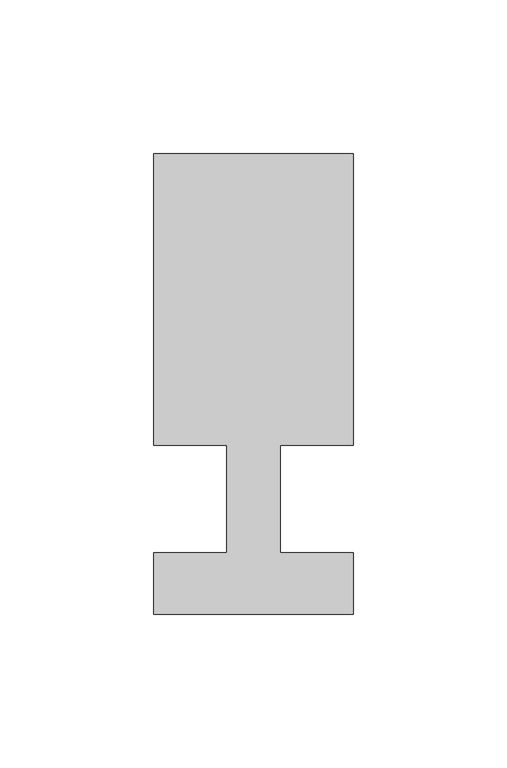
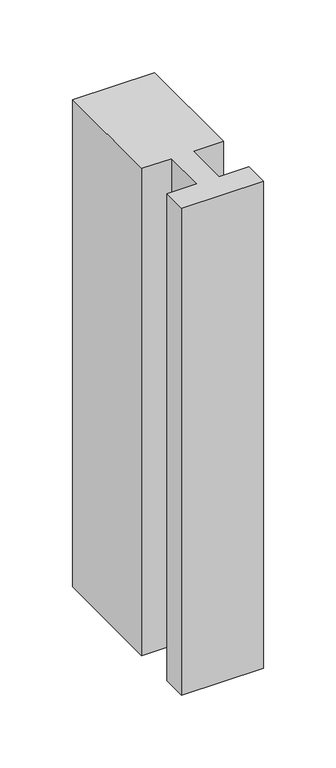
"""IFC4 building model written with IfcOpenShell, lengths in millimetres: member geometry."""

import ifcopenshell
import ifcopenshell.guid

model = None  # the IFC model being written
_history = None  # IfcOwnerHistory: only IFC2X3 demands one
_inside = {}  # id of a spatial element -> (the spatial element, [elements in it])
_under = {}  # id of a project, library or spatial element -> (it, [spatial elements below it])
_declared = {}  # id of a project -> (the project, [libraries it declares])
_typed = {}  # id of a type object -> (the type object, [elements of that type])
_made_of = {}  # id of a material, layer set ... -> (it, [elements and type objects made of it])


def new_model(schema):
    """Start an empty IFC model of exactly this schema.

    Asked for "IFC4X3", IfcOpenShell would pick the latest addendum, in which some entities
    have other attributes; the version numbers below select the first issue.
    IFC2X3 requires an IfcOwnerHistory on every rooted entity: one is made here for all.
    """
    global model, _history
    if schema == "IFC4X3":
        model = ifcopenshell.file(schema_version=(4, 3, 0, 0))
    else:
        model = ifcopenshell.file(schema=schema)
    _inside.clear()
    _under.clear()
    _declared.clear()
    _typed.clear()
    _made_of.clear()
    _history = None
    if model.schema == "IFC2X3":
        org = make("IfcOrganization", Name="unknown")
        user = make(
            "IfcPersonAndOrganization",
            ThePerson=make("IfcPerson", FamilyName="unknown"),
            TheOrganization=org,
        )
        app = make(
            "IfcApplication",
            ApplicationDeveloper=org,
            Version="unknown",
            ApplicationFullName="unknown",
            ApplicationIdentifier="unknown",
        )
        _history = make(
            "IfcOwnerHistory",
            OwningUser=user,
            OwningApplication=app,
            ChangeAction="ADDED",
            CreationDate=0,
        )
    return model


def make(cls, **values):
    """One entity of the class cls with the attributes given. An attribute that is None is left unset."""
    return model.create_entity(
        cls, **{name: value for name, value in values.items() if value is not None}
    )


def rooted(cls, **values):
    """An entity with a GlobalId (a new one), such as an element, a storey or a relation."""
    return make(cls, GlobalId=ifcopenshell.guid.new(), OwnerHistory=_history, **values)


def si_unit(unit_type, name, prefix=None):
    """IfcSIUnit, for example si_unit("LENGTHUNIT", "METRE", prefix="MILLI")."""
    return make("IfcSIUnit", UnitType=unit_type, Prefix=prefix, Name=name)


def assignment(units):
    """IfcUnitAssignment: the units of a project."""
    return None if units is None else make("IfcUnitAssignment", Units=units)


def point(xyz):
    """IfcCartesianPoint."""
    return None if xyz is None else make("IfcCartesianPoint", Coordinates=xyz)


def direction(xyz):
    """IfcDirection."""
    return None if xyz is None else make("IfcDirection", DirectionRatios=xyz)


def frame(location, z_axis=None, x_axis=None):
    """IfcAxis2Placement3D, a coordinate frame: its origin and axes. An axis left out is left unset."""
    return make(
        "IfcAxis2Placement3D",
        Location=point(location),
        Axis=direction(z_axis),
        RefDirection=direction(x_axis),
    )


def origin():
    """The frame at (0, 0, 0) with its axes left unset."""
    return frame((0.0, 0.0, 0.0))


def place(relative_to, where):
    """IfcLocalPlacement: puts the frame where relative to a parent placement (None: the world)."""
    return make(
        "IfcLocalPlacement", PlacementRelTo=relative_to, RelativePlacement=where
    )


def context(
    kind, dimensions, precision=None, world=None, true_north=None, identifier=None
):
    """IfcGeometricRepresentationContext, for example the 3D "Model" context."""
    return make(
        "IfcGeometricRepresentationContext",
        ContextIdentifier=identifier,
        ContextType=kind,
        CoordinateSpaceDimension=dimensions,
        Precision=precision,
        WorldCoordinateSystem=world,
        TrueNorth=true_north,
    )


def project(units=None, contexts=None):
    """IfcProject with its units and contexts."""
    return rooted(
        "IfcProject",
        Name="project",
        RepresentationContexts=contexts,
        UnitsInContext=assignment(units),
    )


def spatial(cls, under=None, at=None, **own):
    """A site, building, storey or space (cls), placed at a placement, below another one or the project."""
    s = rooted(cls, ObjectPlacement=at, **own)
    if under is not None:
        _under.setdefault(under.id(), (under, []))[1].append(s)
    return s


def polyline(points):
    """IfcPolyline through the points."""
    return make("IfcPolyline", Points=[point(p) for p in points])


def outline(outer, holes=None, kind="AREA"):
    """IfcArbitraryClosedProfileDef: a profile drawn as a closed curve; with holes, ...WithVoids."""
    if holes is None:
        return make("IfcArbitraryClosedProfileDef", ProfileType=kind, OuterCurve=outer)
    return make(
        "IfcArbitraryProfileDefWithVoids",
        ProfileType=kind,
        OuterCurve=outer,
        InnerCurves=holes,
    )


def extrude(swept, where, along, depth):
    """IfcExtrudedAreaSolid: the profile swept, set in the frame where, extruded along a direction by depth."""
    return make(
        "IfcExtrudedAreaSolid",
        SweptArea=swept,
        Position=where,
        ExtrudedDirection=direction(along),
        Depth=depth,
    )


def shape(context_of_items, identifier, shape_type, items):
    """IfcShapeRepresentation: the items that make up one representation, for example the "Body"."""
    return make(
        "IfcShapeRepresentation",
        ContextOfItems=context_of_items,
        RepresentationIdentifier=identifier,
        RepresentationType=shape_type,
        Items=items,
    )


def source(mapping_origin, context_of_items, identifier, shape_type, items):
    """IfcRepresentationMap: a shape defined once, which mapped items show again and again."""
    return make(
        "IfcRepresentationMap",
        MappingOrigin=mapping_origin,
        MappedRepresentation=shape(context_of_items, identifier, shape_type, items),
    )


def transform(
    local_origin,
    x_axis=None,
    y_axis=None,
    z_axis=None,
    scale=None,
    scale2=None,
    scale3=None,
    uniform=True,
):
    """IfcCartesianTransformationOperator3D, or its non-uniform kind. x_axis, y_axis, z_axis: its Axis1, 2, 3."""
    if uniform:
        return make(
            "IfcCartesianTransformationOperator3D",
            Axis1=direction(x_axis),
            Axis2=direction(y_axis),
            LocalOrigin=point(local_origin),
            Scale=scale,
            Axis3=direction(z_axis),
        )
    return make(
        "IfcCartesianTransformationOperator3DnonUniform",
        Axis1=direction(x_axis),
        Axis2=direction(y_axis),
        LocalOrigin=point(local_origin),
        Scale=scale,
        Axis3=direction(z_axis),
        Scale2=scale2,
        Scale3=scale3,
    )


def mapped(mapping_source, mapping_target):
    """IfcMappedItem: shows the shape of a source again, moved by a transform."""
    return make(
        "IfcMappedItem", MappingSource=mapping_source, MappingTarget=mapping_target
    )


def made_of(thing, what):
    """Note that an element or type object is made of a material, layer set ...; save() writes the relation."""
    if what is not None:
        _made_of.setdefault(what.id(), (what, []))[1].append(thing)
    return thing


def element(
    cls,
    number,
    at=None,
    inside=None,
    cuts=None,
    type_object=None,
    material=None,
    context=None,
    identifier="Body",
    shape_type=None,
    held_by="IfcProductDefinitionShape",
    body=None,
    shapes=None,
    **own,
):
    """One element of the class cls, such as IfcWall. Its Tag is "e" and its number.

    at: its placement. inside: the storey or other place that contains it. cuts: it is an
    opening in that element (IfcRelVoidsElement). A single representation is given by context,
    identifier, shape_type and body (its items); several are given by shapes. held_by: the class
    of the entity that holds the representations. save() writes the other relations.
    """
    e = rooted(cls, Tag="e%d" % number, ObjectPlacement=at, **own)
    if body is not None:
        shapes = [shape(context, identifier, shape_type, body)]
    if shapes is not None:
        e.Representation = make(held_by, Representations=shapes)
    if inside is not None:
        _inside.setdefault(inside.id(), (inside, []))[1].append(e)
    if cuts is not None:
        rooted(
            "IfcRelVoidsElement", RelatingBuildingElement=cuts, RelatedOpeningElement=e
        )
    if type_object is not None:
        _typed.setdefault(type_object.id(), (type_object, []))[1].append(e)
    return made_of(e, material)


def aggregate(whole, parts):
    """IfcRelAggregates: a whole, such as a stair, and the parts it consists of."""
    return rooted("IfcRelAggregates", RelatingObject=whole, RelatedObjects=parts)


def save(model, path):
    """Write the relations noted so far, then the file.

    IfcRelAggregates (storeys below a building ...), IfcRelContainedInSpatialStructure (elements
    in a storey), IfcRelDefinesByType, IfcRelAssociatesMaterial and IfcRelDeclares: one each for
    every whole, place, type object, material and project.
    """
    for whole, parts in _under.values():
        aggregate(whole, parts)
    for where, things in _inside.values():
        rooted(
            "IfcRelContainedInSpatialStructure",
            RelatedElements=things,
            RelatingStructure=where,
        )
    for kind, things in _typed.values():
        rooted("IfcRelDefinesByType", RelatedObjects=things, RelatingType=kind)
    for what, things in _made_of.values():
        rooted("IfcRelAssociatesMaterial", RelatedObjects=things, RelatingMaterial=what)
    for by, libraries in _declared.values():
        rooted("IfcRelDeclares", RelatingContext=by, RelatedDefinitions=libraries)
    model.write(path)


def member_87bee119(model_context):
    return source(origin(), model_context, "Body", "SweptSolid", [
        extrude(outline(polyline([(0.0, -37.0), (-65.0, -37.0), (-65.0, -17.0), (-41.1875, -17.0), (-41.1875, 18.0), (-65.0, 18.0), (-65.0, 113.0), (0.0, 113.0), (0.0, 18.0), (-23.8125, 18.0), (-23.8125, -17.0), (0.0, -17.0), (0.0, -37.0)])), frame((0.0, 0.0, -408.8125), z_axis=(0.0, 0.0, 1.0), x_axis=(1.0, 0.0, 0.0)), (0.0, 0.0, 1.0), 408.8125),
    ])


if __name__ == "__main__":
    model = new_model("IFC4")
    model_context = context("Model", 3, world=origin())
    ifc_project = project(units=[si_unit("LENGTHUNIT", "METRE", prefix="MILLI")], contexts=[model_context])
    site = spatial("IfcSite", under=ifc_project)
    building = spatial("IfcBuilding", under=site)
    placement = place(None, origin())
    member_shape = member_87bee119(model_context)
    element("IfcMember", 1, at=placement, inside=building, context=model_context, shape_type="MappedRepresentation", body=[
        mapped(member_shape, transform((0.0, 0.0, 0.0), x_axis=(1.0, 0.0, 0.0), y_axis=(0.0, 1.0, 0.0), z_axis=(0.0, 0.0, 1.0))),
    ])
    save(model, "model.ifc")
